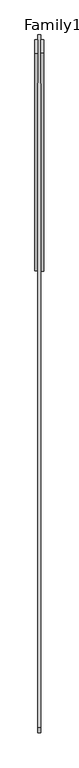
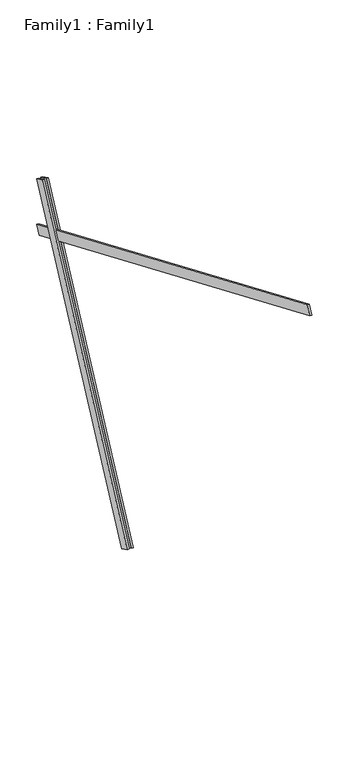
"""IFC4 building model written with IfcOpenShell, lengths in millimetres: proxy geometry, Family1 : Family1."""

from ifc_helpers import new_model, si_unit, frame, origin, place, context, project, spatial, polyline, outline, extrude, source, transform, mapped, element, save


def family1_family1_cd838795(model_context):
    return source(origin(), model_context, "Body", "SweptSolid", [
        extrude(outline(polyline([(0.0, 0.0), (0.0, -20.0), (-100.0000001, -20.0), (-100.0000001, 0.0), (0.0, 0.0)])), frame((-30.0, 46.3241747, -22.5938096), z_axis=(0.0, 0.4383711467890692, 0.8987940462991711), x_axis=(0.0, 0.8987940462991711, -0.4383711467890692)), (0.0, 0.0, 1.0), 3300.0),
        extrude(outline(polyline([(0.0, 0.0), (0.0, -20.0), (-99.9999999, -20.0), (-99.9999999, 0.0), (0.0, 0.0)])), frame((10.0, 45.270232, -22.0797674), z_axis=(0.0, 0.4383711467890692, 0.8987940462991711), x_axis=(0.0, 0.8987940462991711, -0.4383711467890692)), (0.0, 0.0, 1.0), 3300.0),
        extrude(outline(polyline([(0.0, -20.0), (0.0, 0.0), (5000.0000001, 0.0), (5000.0000001, -20.0), (0.0, -20.0)])), frame((-10.0, -3116.8707374, 4306.3554777), z_axis=(0.0, 0.3907311284892759, 0.9205048534524396), x_axis=(0.0, 0.9205048534524396, -0.3907311284892759)), (0.0, 0.0, 1.0), 100.0),
    ])


if __name__ == "__main__":
    model = new_model("IFC4")
    model_context = context("Model", 3, world=origin())
    ifc_project = project(units=[si_unit("LENGTHUNIT", "METRE", prefix="MILLI")], contexts=[model_context])
    site = spatial("IfcSite", under=ifc_project)
    building = spatial("IfcBuilding", under=site)
    placement = place(None, origin())
    family1_family1_shape = family1_family1_cd838795(model_context)
    element("IfcBuildingElementProxy", 1, Name="Family1 : Family1", ObjectType="Family1 : Family1", at=placement, inside=building, context=model_context, shape_type="MappedRepresentation", body=[
        mapped(family1_family1_shape, transform((0.0, 0.0, 0.0), x_axis=(1.0, 0.0, 0.0), y_axis=(0.0, 1.0, 0.0), z_axis=(0.0, 0.0, 1.0))),
    ])
    save(model, "model.ifc")
